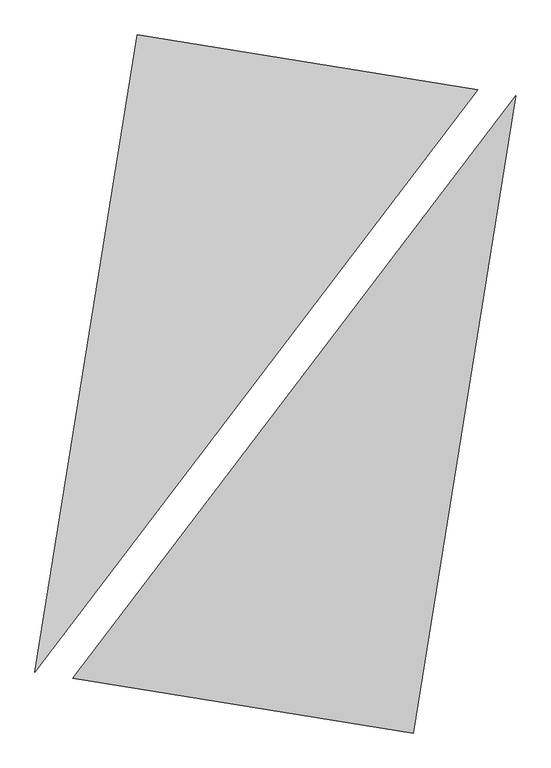
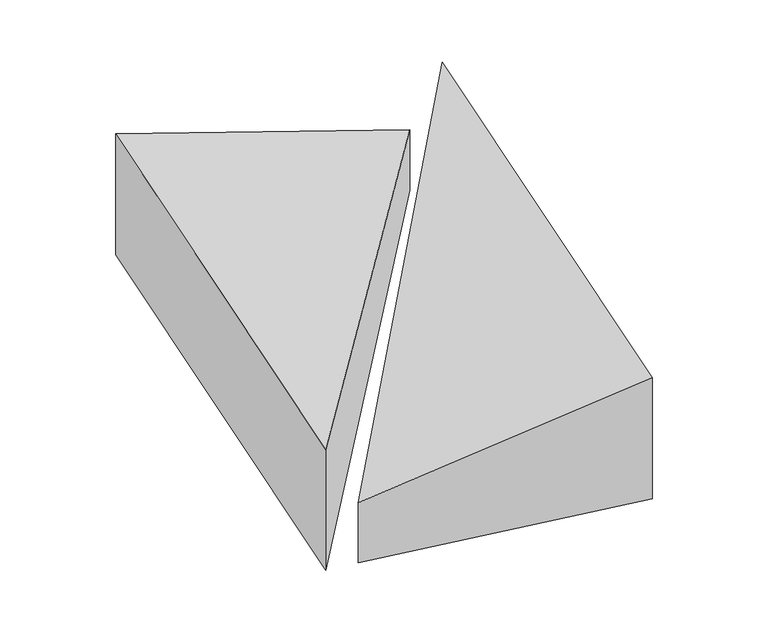
"""IFC4 building model written with IfcOpenShell, lengths in millimetres: proxy geometry."""

from ifc_helpers import new_model, si_unit, origin, place, context, project, spatial, faceted_brep, source, transform, mapped, element, save


def generic_models_a4636b19(model_context):
    return source(origin(), model_context, "Body", "Brep", [
        faceted_brep([(1254.5454905, 1824.4493997, 0.0), (-856.0170022, 2162.7277087, 0.0), (-856.0170022, 2162.7277087, 1000.0), (1254.5454905, 1824.4493997, 500.0), (-1489.0524341, -1786.862921, 0.0), (-1489.0524341, -1786.862921, 1000.0)], [[[0, 1, 2, 3]], [[1, 4, 5, 2]], [[4, 0, 3, 5]], [[3, 2, 5]], [[0, 4, 1]]]),
        faceted_brep([(856.0170022, -2162.7277087, 0.0), (1489.0524341, 1786.862921, 0.0), (1489.0524341, 1786.862921, 1000.0), (856.0170022, -2162.7277087, 1000.0), (-1254.5454905, -1824.4493997, 0.0), (-1254.5454905, -1824.4493997, 500.0)], [[[0, 1, 2, 3]], [[1, 4, 5, 2]], [[4, 0, 3, 5]], [[2, 5, 3]], [[0, 4, 1]]]),
    ])


if __name__ == "__main__":
    model = new_model("IFC4")
    model_context = context("Model", 3, world=origin())
    ifc_project = project(units=[si_unit("LENGTHUNIT", "METRE", prefix="MILLI")], contexts=[model_context])
    site = spatial("IfcSite", under=ifc_project)
    building = spatial("IfcBuilding", under=site)
    placement = place(None, origin())
    generic_models_shape = generic_models_a4636b19(model_context)
    element("IfcBuildingElementProxy", 1, Name="Generic Models", at=placement, inside=building, context=model_context, shape_type="MappedRepresentation", body=[
        mapped(generic_models_shape, transform((0.0, 0.0, 0.0), x_axis=(1.0, 0.0, 0.0), y_axis=(0.0, 1.0, 0.0), z_axis=(0.0, 0.0, 1.0))),
    ])
    save(model, "model.ifc")
